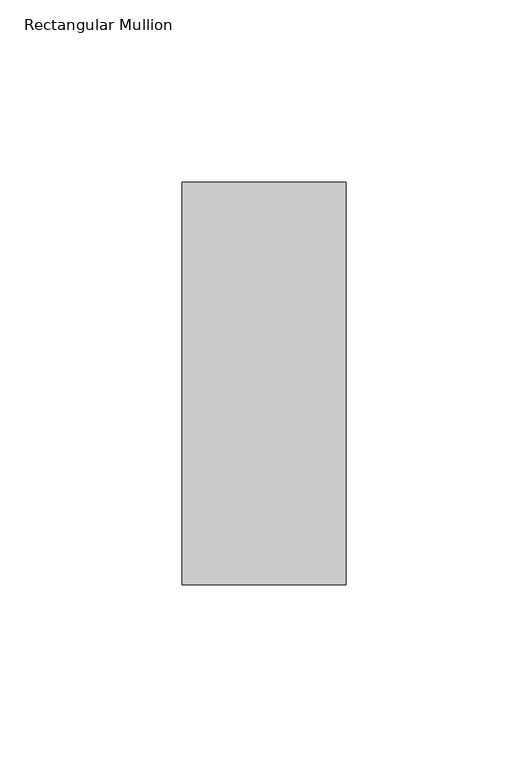
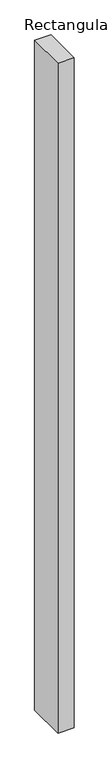
"""IFC4 building model written with IfcOpenShell, lengths in millimetres: member geometry, Rectangular Mullion."""

import ifcopenshell
import ifcopenshell.guid

model = None  # the IFC model being written
_history = None  # IfcOwnerHistory: only IFC2X3 demands one
_inside = {}  # id of a spatial element -> (the spatial element, [elements in it])
_under = {}  # id of a project, library or spatial element -> (it, [spatial elements below it])
_declared = {}  # id of a project -> (the project, [libraries it declares])
_typed = {}  # id of a type object -> (the type object, [elements of that type])
_made_of = {}  # id of a material, layer set ... -> (it, [elements and type objects made of it])


def new_model(schema):
    """Start an empty IFC model of exactly this schema.

    Asked for "IFC4X3", IfcOpenShell would pick the latest addendum, in which some entities
    have other attributes; the version numbers below select the first issue.
    IFC2X3 requires an IfcOwnerHistory on every rooted entity: one is made here for all.
    """
    global model, _history
    if schema == "IFC4X3":
        model = ifcopenshell.file(schema_version=(4, 3, 0, 0))
    else:
        model = ifcopenshell.file(schema=schema)
    _inside.clear()
    _under.clear()
    _declared.clear()
    _typed.clear()
    _made_of.clear()
    _history = None
    if model.schema == "IFC2X3":
        org = make("IfcOrganization", Name="unknown")
        user = make(
            "IfcPersonAndOrganization",
            ThePerson=make("IfcPerson", FamilyName="unknown"),
            TheOrganization=org,
        )
        app = make(
            "IfcApplication",
            ApplicationDeveloper=org,
            Version="unknown",
            ApplicationFullName="unknown",
            ApplicationIdentifier="unknown",
        )
        _history = make(
            "IfcOwnerHistory",
            OwningUser=user,
            OwningApplication=app,
            ChangeAction="ADDED",
            CreationDate=0,
        )
    return model


def make(cls, **values):
    """One entity of the class cls with the attributes given. An attribute that is None is left unset."""
    return model.create_entity(
        cls, **{name: value for name, value in values.items() if value is not None}
    )


def rooted(cls, **values):
    """An entity with a GlobalId (a new one), such as an element, a storey or a relation."""
    return make(cls, GlobalId=ifcopenshell.guid.new(), OwnerHistory=_history, **values)


def si_unit(unit_type, name, prefix=None):
    """IfcSIUnit, for example si_unit("LENGTHUNIT", "METRE", prefix="MILLI")."""
    return make("IfcSIUnit", UnitType=unit_type, Prefix=prefix, Name=name)


def assignment(units):
    """IfcUnitAssignment: the units of a project."""
    return None if units is None else make("IfcUnitAssignment", Units=units)


def point(xyz):
    """IfcCartesianPoint."""
    return None if xyz is None else make("IfcCartesianPoint", Coordinates=xyz)


def direction(xyz):
    """IfcDirection."""
    return None if xyz is None else make("IfcDirection", DirectionRatios=xyz)


def frame(location, z_axis=None, x_axis=None):
    """IfcAxis2Placement3D, a coordinate frame: its origin and axes. An axis left out is left unset."""
    return make(
        "IfcAxis2Placement3D",
        Location=point(location),
        Axis=direction(z_axis),
        RefDirection=direction(x_axis),
    )


def origin():
    """The frame at (0, 0, 0) with its axes left unset."""
    return frame((0.0, 0.0, 0.0))


def place(relative_to, where):
    """IfcLocalPlacement: puts the frame where relative to a parent placement (None: the world)."""
    return make(
        "IfcLocalPlacement", PlacementRelTo=relative_to, RelativePlacement=where
    )


def context(
    kind, dimensions, precision=None, world=None, true_north=None, identifier=None
):
    """IfcGeometricRepresentationContext, for example the 3D "Model" context."""
    return make(
        "IfcGeometricRepresentationContext",
        ContextIdentifier=identifier,
        ContextType=kind,
        CoordinateSpaceDimension=dimensions,
        Precision=precision,
        WorldCoordinateSystem=world,
        TrueNorth=true_north,
    )


def project(units=None, contexts=None):
    """IfcProject with its units and contexts."""
    return rooted(
        "IfcProject",
        Name="project",
        RepresentationContexts=contexts,
        UnitsInContext=assignment(units),
    )


def spatial(cls, under=None, at=None, **own):
    """A site, building, storey or space (cls), placed at a placement, below another one or the project."""
    s = rooted(cls, ObjectPlacement=at, **own)
    if under is not None:
        _under.setdefault(under.id(), (under, []))[1].append(s)
    return s


def polyline(points):
    """IfcPolyline through the points."""
    return make("IfcPolyline", Points=[point(p) for p in points])


def outline(outer, holes=None, kind="AREA"):
    """IfcArbitraryClosedProfileDef: a profile drawn as a closed curve; with holes, ...WithVoids."""
    if holes is None:
        return make("IfcArbitraryClosedProfileDef", ProfileType=kind, OuterCurve=outer)
    return make(
        "IfcArbitraryProfileDefWithVoids",
        ProfileType=kind,
        OuterCurve=outer,
        InnerCurves=holes,
    )


def extrude(swept, where, along, depth):
    """IfcExtrudedAreaSolid: the profile swept, set in the frame where, extruded along a direction by depth."""
    return make(
        "IfcExtrudedAreaSolid",
        SweptArea=swept,
        Position=where,
        ExtrudedDirection=direction(along),
        Depth=depth,
    )


def shape(context_of_items, identifier, shape_type, items):
    """IfcShapeRepresentation: the items that make up one representation, for example the "Body"."""
    return make(
        "IfcShapeRepresentation",
        ContextOfItems=context_of_items,
        RepresentationIdentifier=identifier,
        RepresentationType=shape_type,
        Items=items,
    )


def source(mapping_origin, context_of_items, identifier, shape_type, items):
    """IfcRepresentationMap: a shape defined once, which mapped items show again and again."""
    return make(
        "IfcRepresentationMap",
        MappingOrigin=mapping_origin,
        MappedRepresentation=shape(context_of_items, identifier, shape_type, items),
    )


def transform(
    local_origin,
    x_axis=None,
    y_axis=None,
    z_axis=None,
    scale=None,
    scale2=None,
    scale3=None,
    uniform=True,
):
    """IfcCartesianTransformationOperator3D, or its non-uniform kind. x_axis, y_axis, z_axis: its Axis1, 2, 3."""
    if uniform:
        return make(
            "IfcCartesianTransformationOperator3D",
            Axis1=direction(x_axis),
            Axis2=direction(y_axis),
            LocalOrigin=point(local_origin),
            Scale=scale,
            Axis3=direction(z_axis),
        )
    return make(
        "IfcCartesianTransformationOperator3DnonUniform",
        Axis1=direction(x_axis),
        Axis2=direction(y_axis),
        LocalOrigin=point(local_origin),
        Scale=scale,
        Axis3=direction(z_axis),
        Scale2=scale2,
        Scale3=scale3,
    )


def mapped(mapping_source, mapping_target):
    """IfcMappedItem: shows the shape of a source again, moved by a transform."""
    return make(
        "IfcMappedItem", MappingSource=mapping_source, MappingTarget=mapping_target
    )


def made_of(thing, what):
    """Note that an element or type object is made of a material, layer set ...; save() writes the relation."""
    if what is not None:
        _made_of.setdefault(what.id(), (what, []))[1].append(thing)
    return thing


def element(
    cls,
    number,
    at=None,
    inside=None,
    cuts=None,
    type_object=None,
    material=None,
    context=None,
    identifier="Body",
    shape_type=None,
    held_by="IfcProductDefinitionShape",
    body=None,
    shapes=None,
    **own,
):
    """One element of the class cls, such as IfcWall. Its Tag is "e" and its number.

    at: its placement. inside: the storey or other place that contains it. cuts: it is an
    opening in that element (IfcRelVoidsElement). A single representation is given by context,
    identifier, shape_type and body (its items); several are given by shapes. held_by: the class
    of the entity that holds the representations. save() writes the other relations.
    """
    e = rooted(cls, Tag="e%d" % number, ObjectPlacement=at, **own)
    if body is not None:
        shapes = [shape(context, identifier, shape_type, body)]
    if shapes is not None:
        e.Representation = make(held_by, Representations=shapes)
    if inside is not None:
        _inside.setdefault(inside.id(), (inside, []))[1].append(e)
    if cuts is not None:
        rooted(
            "IfcRelVoidsElement", RelatingBuildingElement=cuts, RelatedOpeningElement=e
        )
    if type_object is not None:
        _typed.setdefault(type_object.id(), (type_object, []))[1].append(e)
    return made_of(e, material)


def aggregate(whole, parts):
    """IfcRelAggregates: a whole, such as a stair, and the parts it consists of."""
    return rooted("IfcRelAggregates", RelatingObject=whole, RelatedObjects=parts)


def save(model, path):
    """Write the relations noted so far, then the file.

    IfcRelAggregates (storeys below a building ...), IfcRelContainedInSpatialStructure (elements
    in a storey), IfcRelDefinesByType, IfcRelAssociatesMaterial and IfcRelDeclares: one each for
    every whole, place, type object, material and project.
    """
    for whole, parts in _under.values():
        aggregate(whole, parts)
    for where, things in _inside.values():
        rooted(
            "IfcRelContainedInSpatialStructure",
            RelatedElements=things,
            RelatingStructure=where,
        )
    for kind, things in _typed.values():
        rooted("IfcRelDefinesByType", RelatedObjects=things, RelatingType=kind)
    for what, things in _made_of.values():
        rooted("IfcRelAssociatesMaterial", RelatedObjects=things, RelatingMaterial=what)
    for by, libraries in _declared.values():
        rooted("IfcRelDeclares", RelatingContext=by, RelatedDefinitions=libraries)
    model.write(path)


def rectangular_mullion_1f2171eb(model_context):
    return source(origin(), model_context, "Body", "SweptSolid", [
        extrude(outline(polyline([(22.5, -70.7), (-22.5, -70.7), (-22.5, 39.7), (22.5, 39.7), (22.5, -70.7)])), frame((0.0, 0.0, -1951.8), z_axis=(0.0, 0.0, 1.0), x_axis=(1.0, 0.0, 0.0)), (0.0, 0.0, 1.0), 1951.8),
    ])


if __name__ == "__main__":
    model = new_model("IFC4")
    model_context = context("Model", 3, world=origin())
    ifc_project = project(units=[si_unit("LENGTHUNIT", "METRE", prefix="MILLI")], contexts=[model_context])
    site = spatial("IfcSite", under=ifc_project)
    building = spatial("IfcBuilding", under=site)
    placement = place(None, origin())
    rectangular_mullion_shape = rectangular_mullion_1f2171eb(model_context)
    element("IfcMember", 1, ObjectType="Rectangular Mullion", at=placement, inside=building, context=model_context, shape_type="MappedRepresentation", body=[
        mapped(rectangular_mullion_shape, transform((0.0, 0.0, 0.0), x_axis=(1.0, 0.0, 0.0), y_axis=(0.0, 1.0, 0.0), z_axis=(0.0, 0.0, 1.0))),
    ])
    save(model, "model.ifc")
